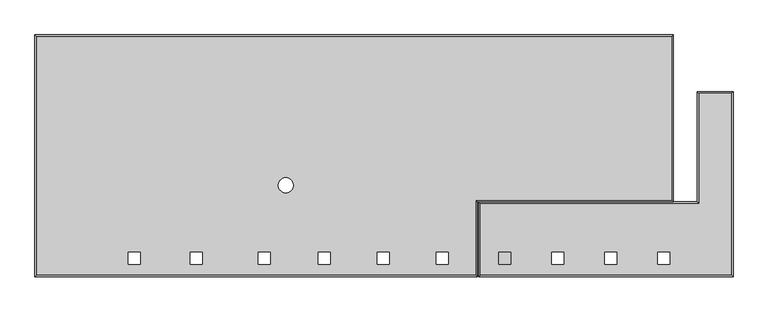
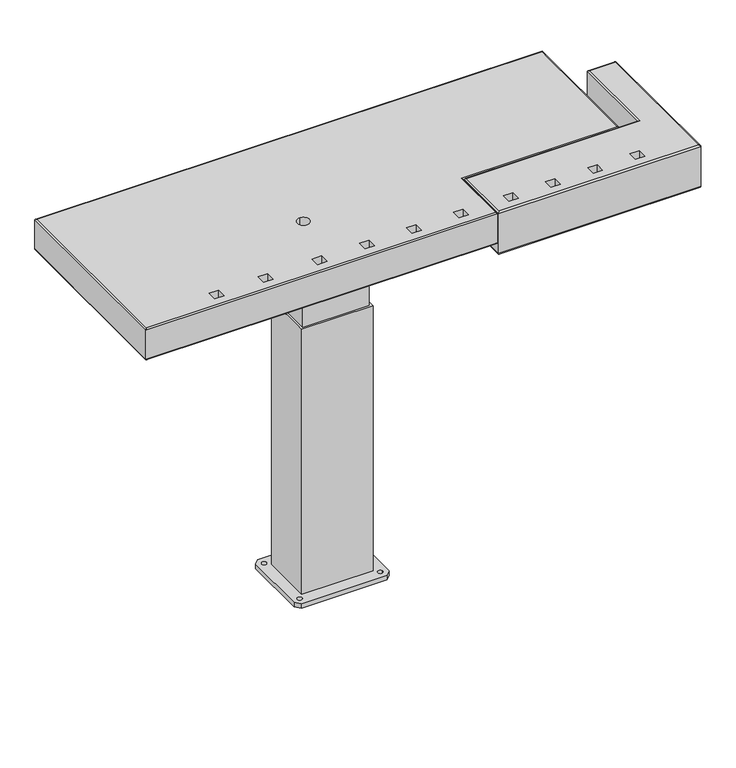
"""IFC4 building model written with IfcOpenShell, lengths in millimetres: furniture geometry."""

from ifc_helpers import new_model, si_unit, frame, origin, place, context, project, spatial, polyline, circle_curve, ellipse_curve, source, transform, mapped, element, save
from ifc_brep_helpers import plane_surface, cylinder_surface, revolved_surface, advanced_brep


def furniture_d66b4d20(model_context):
    return source(origin(), model_context, "Body", "AdvancedBrep", [
        advanced_brep(
        [(-189.9797835, 0.0, 820.0), (-199.9797835, 10.0, 820.0), (-199.9797835, 150.0, 820.0), (-189.9797835, 160.0, 820.0), (-10.0, 160.0, 820.0), (0.0, 150.0, 820.0), (0.0, 10.0, 820.0), (-10.0, 0.0, 820.0), (-179.9797835, 145.0, 820.0), (-189.9797835, 145.0, 820.0), (-10.0, 145.0, 820.0), (-20.0, 145.0, 820.0), (-179.9797835, 15.0, 820.0), (-189.9797835, 15.0, 820.0), (-10.0, 15.0, 820.0), (-20.0, 15.0, 820.0), (-169.9797835, 130.0, 820.0), (-169.9797835, 30.0, 820.0), (-30.0, 30.0, 820.0), (-30.0, 130.0, 820.0), (-164.9797835, 125.0, 820.0), (-35.0, 125.0, 820.0), (-35.0, 35.0, 820.0), (-164.9797835, 35.0, 820.0), (-189.9797835, 0.0, 830.0), (-10.0, 0.0, 830.0), (0.0, 10.0, 830.0), (0.0, 150.0, 830.0), (-10.0, 160.0, 830.0), (-189.9797835, 160.0, 830.0), (-199.9797835, 150.0, 830.0), (-199.9797835, 10.0, 830.0), (-179.9797835, 145.0, 830.0), (-189.9797835, 145.0, 830.0), (-10.0, 145.0, 830.0), (-20.0, 145.0, 830.0), (-179.9797835, 15.0, 830.0), (-189.9797835, 15.0, 830.0), (-10.0, 15.0, 830.0), (-20.0, 15.0, 830.0), (-169.9797835, 130.0, 550.0), (-30.0, 130.0, 550.0), (-30.0, 30.0, 550.0), (-169.9797835, 30.0, 550.0), (-164.9797835, 125.0, 550.0), (-164.9797835, 35.0, 550.0), (-35.0, 35.0, 550.0), (-35.0, 125.0, 550.0)],
        [
            (0, 1),
            (1, 2),
            (2, 3),
            (3, 4),
            (4, 5),
            (5, 6),
            (6, 7),
            (7, 0),
            (8, 9, circle_curve(frame((-184.9797835, 145.0, 820.0), z_axis=(0.0, 0.0, 1.0), x_axis=(-1.0, 0.0, 0.0)), 5.0)),
            (9, 8, circle_curve(frame((-184.9797835, 145.0, 820.0), z_axis=(0.0, 0.0, 1.0), x_axis=(-1.0, 0.0, 0.0)), 5.0)),
            (10, 11, circle_curve(frame((-15.0, 145.0, 820.0), z_axis=(0.0, 0.0, 1.0), x_axis=(-1.0, 0.0, 0.0)), 5.0)),
            (11, 10, circle_curve(frame((-15.0, 145.0, 820.0), z_axis=(0.0, 0.0, 1.0), x_axis=(-1.0, 0.0, 0.0)), 5.0)),
            (12, 13, circle_curve(frame((-184.9797835, 15.0, 820.0), z_axis=(0.0, 0.0, 1.0), x_axis=(-1.0, 0.0, 0.0)), 5.0)),
            (13, 12, circle_curve(frame((-184.9797835, 15.0, 820.0), z_axis=(0.0, 0.0, 1.0), x_axis=(-1.0, 0.0, 0.0)), 5.0)),
            (14, 15, circle_curve(frame((-15.0, 15.0, 820.0), z_axis=(0.0, 0.0, 1.0), x_axis=(-1.0, 0.0, 0.0)), 5.0)),
            (15, 14, circle_curve(frame((-15.0, 15.0, 820.0), z_axis=(0.0, 0.0, 1.0), x_axis=(-1.0, 0.0, 0.0)), 5.0)),
            (16, 17),
            (17, 18),
            (18, 19),
            (19, 16),
            (20, 21),
            (21, 22),
            (22, 23),
            (23, 20),
            (24, 25),
            (25, 26),
            (26, 27),
            (27, 28),
            (28, 29),
            (29, 30),
            (30, 31),
            (31, 24),
            (32, 33, circle_curve(frame((-184.9797835, 145.0, 830.0), z_axis=(0.0, 0.0, -1.0), x_axis=(-1.0, 0.0, 0.0)), 5.0)),
            (33, 32, circle_curve(frame((-184.9797835, 145.0, 830.0), z_axis=(0.0, 0.0, -1.0), x_axis=(-1.0, 0.0, 0.0)), 5.0)),
            (34, 35, circle_curve(frame((-15.0, 145.0, 830.0), z_axis=(0.0, 0.0, -1.0), x_axis=(-1.0, 0.0, 0.0)), 5.0)),
            (35, 34, circle_curve(frame((-15.0, 145.0, 830.0), z_axis=(0.0, 0.0, -1.0), x_axis=(-1.0, 0.0, 0.0)), 5.0)),
            (36, 37, circle_curve(frame((-184.9797835, 15.0, 830.0), z_axis=(0.0, 0.0, -1.0), x_axis=(-1.0, 0.0, 0.0)), 5.0)),
            (37, 36, circle_curve(frame((-184.9797835, 15.0, 830.0), z_axis=(0.0, 0.0, -1.0), x_axis=(-1.0, 0.0, 0.0)), 5.0)),
            (38, 39, circle_curve(frame((-15.0, 15.0, 830.0), z_axis=(0.0, 0.0, -1.0), x_axis=(-1.0, 0.0, 0.0)), 5.0)),
            (39, 38, circle_curve(frame((-15.0, 15.0, 830.0), z_axis=(0.0, 0.0, -1.0), x_axis=(-1.0, 0.0, 0.0)), 5.0)),
            (7, 25),
            (24, 0),
            (6, 26),
            (5, 27),
            (4, 28),
            (3, 29),
            (2, 30),
            (1, 31),
            (9, 33),
            (32, 8),
            (11, 35),
            (34, 10),
            (13, 37),
            (36, 12),
            (15, 39),
            (38, 14),
            (40, 41),
            (41, 42),
            (42, 43),
            (43, 40),
            (44, 45),
            (45, 46),
            (46, 47),
            (47, 44),
            (43, 17),
            (16, 40),
            (42, 18),
            (41, 19),
            (47, 21),
            (20, 44),
            (46, 22),
            (45, 23),
        ],
        [
            plane_surface(frame((-10.0, 0.0, 820.0), z_axis=(0.0, 0.0, -1.0), x_axis=(-1.0, 0.0, 0.0))),
            plane_surface(frame((-10.0, 0.0, 830.0), z_axis=(0.0, 0.0, 1.0), x_axis=(1.0, 0.0, 0.0))),
            plane_surface(frame((-189.9797835, 0.0, 830.0), z_axis=(0.0, -1.0, 0.0), x_axis=(0.0, 0.0, -1.0))),
            plane_surface(frame((-10.0, 0.0, 830.0), z_axis=(0.7071067811865702, -0.7071067811865248, 0.0), x_axis=(0.0, 0.0, -1.0))),
            plane_surface(frame((0.0, 10.0, 830.0), z_axis=(1.0, 0.0, 0.0), x_axis=(0.0, 0.0, -1.0))),
            plane_surface(frame((0.0, 150.0, 830.0), z_axis=(0.707106781186547, 0.7071067811865482, 0.0), x_axis=(0.0, 0.0, -1.0))),
            plane_surface(frame((-10.0, 160.0, 830.0), z_axis=(0.0, 1.0, 0.0), x_axis=(0.0, 0.0, -1.0))),
            plane_surface(frame((-189.9797835, 160.0, 830.0), z_axis=(-0.7071067811865822, 0.7071067811865128, 0.0), x_axis=(0.0, 0.0, -1.0))),
            plane_surface(frame((-199.9797835, 150.0, 830.0), z_axis=(-1.0, 0.0, 0.0), x_axis=(0.0, 0.0, -1.0))),
            plane_surface(frame((-199.9797835, 10.0, 830.0), z_axis=(-0.7071067811865515, -0.7071067811865437, 0.0), x_axis=(0.0, 0.0, -1.0))),
            revolved_surface(polyline([(-189.9797835, 145.0, 820.0), (-189.9797835, 145.0, 830.0)]), (-184.9797835, 145.0, 830.0), (0.0, 0.0, -1.0)),
            revolved_surface(polyline([(-20.0, 145.0, 820.0), (-20.0, 145.0, 830.0)]), (-15.0, 145.0, 830.0), (0.0, 0.0, -1.0)),
            revolved_surface(polyline([(-189.9797835, 15.0, 820.0), (-189.9797835, 15.0, 830.0)]), (-184.9797835, 15.0, 830.0), (0.0, 0.0, -1.0)),
            revolved_surface(polyline([(-20.0, 15.0, 820.0), (-20.0, 15.0, 830.0)]), (-15.0, 15.0, 830.0), (0.0, 0.0, -1.0)),
            plane_surface(frame((-169.9797835, 30.0, 550.0), z_axis=(0.0, 0.0, -1.0), x_axis=(0.0, 1.0, 0.0))),
            plane_surface(frame((-169.9797835, 130.0, 830.0), z_axis=(-1.0, 0.0, 0.0), x_axis=(0.0, 0.0, -1.0))),
            plane_surface(frame((-169.9797835, 30.0, 830.0), z_axis=(0.0, -1.0, 0.0), x_axis=(0.0, 0.0, -1.0))),
            plane_surface(frame((-30.0, 30.0, 830.0), z_axis=(1.0, 0.0, 0.0), x_axis=(0.0, 0.0, -1.0))),
            plane_surface(frame((-30.0, 130.0, 830.0), z_axis=(0.0, 1.0, 0.0), x_axis=(0.0, 0.0, -1.0))),
            plane_surface(frame((-164.9797835, 125.0, 830.0), z_axis=(0.0, -1.0, 0.0), x_axis=(0.0, 0.0, -1.0))),
            plane_surface(frame((-35.0, 125.0, 830.0), z_axis=(-1.0, 0.0, 0.0), x_axis=(0.0, 0.0, -1.0))),
            plane_surface(frame((-35.0, 35.0, 830.0), z_axis=(0.0, 1.0, 0.0), x_axis=(0.0, 0.0, -1.0))),
            plane_surface(frame((-164.9797835, 35.0, 830.0), z_axis=(1.0, 0.0, 0.0), x_axis=(0.0, 0.0, -1.0))),
        ],
        [
            (0, [[1, 2, 3, 4, 5, 6, 7, 8], [9, 10], [11, 12], [13, 14], [15, 16], [17, 18, 19, 20]]),
            (0, [[21, 22, 23, 24]]),
            (1, [[25, 26, 27, 28, 29, 30, 31, 32], [33, 34], [35, 36], [37, 38], [39, 40]]),
            (2, [[-8, 41, -25, 42]]),
            (3, [[-7, 43, -26, -41]]),
            (4, [[-6, 44, -27, -43]]),
            (5, [[-5, 45, -28, -44]]),
            (6, [[-4, 46, -29, -45]]),
            (7, [[-3, 47, -30, -46]]),
            (8, [[-2, 48, -31, -47]]),
            (9, [[-1, -42, -32, -48]]),
            (10, [[-10, 49, -33, 50]]),
            (10, [[-9, -50, -34, -49]]),
            (11, [[-12, 51, -35, 52]]),
            (11, [[-11, -52, -36, -51]]),
            (12, [[-14, 53, -37, 54]]),
            (12, [[-13, -54, -38, -53]]),
            (13, [[-16, 55, -39, 56]]),
            (13, [[-15, -56, -40, -55]]),
            (14, [[57, 58, 59, 60], [61, 62, 63, 64]]),
            (15, [[-60, 65, -17, 66]]),
            (16, [[-59, 67, -18, -65]]),
            (17, [[-58, 68, -19, -67]]),
            (18, [[-57, -66, -20, -68]]),
            (19, [[-64, 69, -21, 70]]),
            (20, [[-63, 71, -22, -69]]),
            (21, [[-62, 72, -23, -71]]),
            (22, [[-61, -70, -24, -72]]),
        ],
    ),
        advanced_brep(
        [(-189.9797835, 0.0, 10.0), (-10.0, 0.0, 10.0), (0.0, 10.0, 10.0), (0.0, 150.0, 10.0), (-10.0, 160.0, 10.0), (-189.9797835, 160.0, 10.0), (-199.9797835, 150.0, 10.0), (-199.9797835, 10.0, 10.0), (-189.9797835, 145.0, 10.0), (-179.9797835, 145.0, 10.0), (-10.0, 145.0, 10.0), (-20.0, 145.0, 10.0), (-189.9797835, 15.0, 10.0), (-179.9797835, 15.0, 10.0), (-10.0, 15.0, 10.0), (-20.0, 15.0, 10.0), (-174.9797835, 25.0, 10.0), (-174.9797835, 135.0, 10.0), (-25.0, 135.0, 10.0), (-25.0, 25.0, 10.0), (-169.9797835, 130.0, 10.0), (-169.9797835, 30.0, 10.0), (-30.0, 30.0, 10.0), (-30.0, 130.0, 10.0), (-189.9797835, 0.0, 0.0), (-199.9797835, 10.0, 0.0), (-199.9797835, 150.0, 0.0), (-189.9797835, 160.0, 0.0), (-10.0, 160.0, 0.0), (0.0, 150.0, 0.0), (0.0, 10.0, 0.0), (-10.0, 0.0, 0.0), (-189.9797835, 145.0, 0.0), (-179.9797835, 145.0, 0.0), (-10.0, 145.0, 0.0), (-20.0, 145.0, 0.0), (-189.9797835, 15.0, 0.0), (-179.9797835, 15.0, 0.0), (-10.0, 15.0, 0.0), (-20.0, 15.0, 0.0), (-174.9797835, 135.0, 600.0), (-174.9797835, 25.0, 600.0), (-25.0, 25.0, 600.0), (-25.0, 135.0, 600.0), (-169.9797835, 30.0, 600.0), (-169.9797835, 130.0, 600.0), (-30.0, 130.0, 600.0), (-30.0, 30.0, 600.0)],
        [
            (0, 1),
            (1, 2),
            (2, 3),
            (3, 4),
            (4, 5),
            (5, 6),
            (6, 7),
            (7, 0),
            (8, 9, circle_curve(frame((-184.9797835, 145.0, 10.0), z_axis=(0.0, 0.0, -1.0), x_axis=(1.0, 0.0, 0.0)), 5.0)),
            (9, 8, circle_curve(frame((-184.9797835, 145.0, 10.0), z_axis=(0.0, 0.0, -1.0), x_axis=(1.0, 0.0, 0.0)), 5.0)),
            (10, 11, circle_curve(frame((-15.0, 145.0, 10.0), z_axis=(0.0, 0.0, -1.0), x_axis=(-1.0, 0.0, 0.0)), 5.0)),
            (11, 10, circle_curve(frame((-15.0, 145.0, 10.0), z_axis=(0.0, 0.0, -1.0), x_axis=(-1.0, 0.0, 0.0)), 5.0)),
            (12, 13, circle_curve(frame((-184.9797835, 15.0, 10.0), z_axis=(0.0, 0.0, -1.0), x_axis=(1.0, 0.0, 0.0)), 5.0)),
            (13, 12, circle_curve(frame((-184.9797835, 15.0, 10.0), z_axis=(0.0, 0.0, -1.0), x_axis=(1.0, 0.0, 0.0)), 5.0)),
            (14, 15, circle_curve(frame((-15.0, 15.0, 10.0), z_axis=(0.0, 0.0, -1.0), x_axis=(-1.0, 0.0, 0.0)), 5.0)),
            (15, 14, circle_curve(frame((-15.0, 15.0, 10.0), z_axis=(0.0, 0.0, -1.0), x_axis=(-1.0, 0.0, 0.0)), 5.0)),
            (16, 17),
            (17, 18),
            (18, 19),
            (19, 16),
            (20, 21),
            (21, 22),
            (22, 23),
            (23, 20),
            (24, 25),
            (25, 26),
            (26, 27),
            (27, 28),
            (28, 29),
            (29, 30),
            (30, 31),
            (31, 24),
            (32, 33, circle_curve(frame((-184.9797835, 145.0, 0.0), z_axis=(0.0, 0.0, 1.0), x_axis=(1.0, 0.0, 0.0)), 5.0)),
            (33, 32, circle_curve(frame((-184.9797835, 145.0, 0.0), z_axis=(0.0, 0.0, 1.0), x_axis=(1.0, 0.0, 0.0)), 5.0)),
            (34, 35, circle_curve(frame((-15.0, 145.0, 0.0), z_axis=(0.0, 0.0, 1.0), x_axis=(-1.0, 0.0, 0.0)), 5.0)),
            (35, 34, circle_curve(frame((-15.0, 145.0, 0.0), z_axis=(0.0, 0.0, 1.0), x_axis=(-1.0, 0.0, 0.0)), 5.0)),
            (36, 37, circle_curve(frame((-184.9797835, 15.0, 0.0), z_axis=(0.0, 0.0, 1.0), x_axis=(1.0, 0.0, 0.0)), 5.0)),
            (37, 36, circle_curve(frame((-184.9797835, 15.0, 0.0), z_axis=(0.0, 0.0, 1.0), x_axis=(1.0, 0.0, 0.0)), 5.0)),
            (38, 39, circle_curve(frame((-15.0, 15.0, 0.0), z_axis=(0.0, 0.0, 1.0), x_axis=(-1.0, 0.0, 0.0)), 5.0)),
            (39, 38, circle_curve(frame((-15.0, 15.0, 0.0), z_axis=(0.0, 0.0, 1.0), x_axis=(-1.0, 0.0, 0.0)), 5.0)),
            (0, 24),
            (31, 1),
            (30, 2),
            (29, 3),
            (28, 4),
            (27, 5),
            (26, 6),
            (25, 7),
            (8, 32),
            (33, 9),
            (10, 34),
            (35, 11),
            (12, 36),
            (37, 13),
            (14, 38),
            (39, 15),
            (40, 41),
            (41, 42),
            (42, 43),
            (43, 40),
            (44, 45),
            (45, 46),
            (46, 47),
            (47, 44),
            (40, 17),
            (16, 41),
            (19, 42),
            (18, 43),
            (44, 21),
            (20, 45),
            (23, 46),
            (22, 47),
        ],
        [
            plane_surface(frame((0.0202165, 0.0, 10.0), z_axis=(0.0, 0.0, 1.0), x_axis=(1.0, 0.0, 0.0))),
            plane_surface(frame((0.0202165, 0.0, 0.0), z_axis=(0.0, 0.0, -1.0), x_axis=(-1.0, 0.0, 0.0))),
            plane_surface(frame((-189.9797835, 0.0, 10.0), z_axis=(0.0, -1.0, 0.0), x_axis=(0.0, 0.0, -1.0))),
            plane_surface(frame((-10.0, 0.0, 10.0), z_axis=(0.7071067811865424, -0.7071067811865529, 0.0), x_axis=(0.0, 0.0, -1.0))),
            plane_surface(frame((0.0, 10.0, 10.0), z_axis=(1.0, 0.0, 0.0), x_axis=(0.0, 0.0, -1.0))),
            plane_surface(frame((0.0, 150.0, 10.0), z_axis=(0.7071067811865464, 0.7071067811865488, 0.0), x_axis=(0.0, 0.0, -1.0))),
            plane_surface(frame((-10.0, 160.0, 10.0), z_axis=(0.0, 1.0, 0.0), x_axis=(0.0, 0.0, -1.0))),
            plane_surface(frame((-189.9797835, 160.0, 10.0), z_axis=(-0.7071067811865476, 0.7071067811865476, 0.0), x_axis=(0.0, 0.0, -1.0))),
            plane_surface(frame((-199.9797835, 150.0, 10.0), z_axis=(-1.0, 0.0, 0.0), x_axis=(0.0, 0.0, -1.0))),
            plane_surface(frame((-199.9797835, 10.0, 10.0), z_axis=(-0.7071067811865509, -0.7071067811865441, 0.0), x_axis=(0.0, 0.0, -1.0))),
            revolved_surface(polyline([(-179.9797835, 145.0, 0.0), (-179.9797835, 145.0, 10.0)]), (-184.9797835, 145.0, 0.0), (0.0, 0.0, -1.0)),
            revolved_surface(polyline([(-20.0, 145.0, 0.0), (-20.0, 145.0, 10.0)]), (-15.0, 145.0, 0.0), (0.0, 0.0, -1.0)),
            revolved_surface(polyline([(-179.9797835, 15.0, 0.0), (-179.9797835, 15.0, 10.0)]), (-184.9797835, 15.0, 0.0), (0.0, 0.0, -1.0)),
            revolved_surface(polyline([(-20.0, 15.0, 0.0), (-20.0, 15.0, 10.0)]), (-15.0, 15.0, 0.0), (0.0, 0.0, -1.0)),
            plane_surface(frame((-174.9797835, 150.0, 600.0), z_axis=(0.0, 0.0, 1.0), x_axis=(0.0, -1.0, 0.0))),
            plane_surface(frame((-174.9797835, 135.0, 600.0), z_axis=(-1.0, 0.0, 0.0), x_axis=(0.0, 0.0, -1.0))),
            plane_surface(frame((-174.9797835, 25.0, 600.0), z_axis=(0.0, -1.0, 0.0), x_axis=(0.0, 0.0, -1.0))),
            plane_surface(frame((-25.0, 25.0, 600.0), z_axis=(1.0, 0.0, 0.0), x_axis=(0.0, 0.0, -1.0))),
            plane_surface(frame((-25.0, 135.0, 600.0), z_axis=(0.0, 1.0, 0.0), x_axis=(0.0, 0.0, -1.0))),
            plane_surface(frame((-169.9797835, 30.0, 600.0), z_axis=(1.0, 0.0, 0.0), x_axis=(0.0, 0.0, -1.0))),
            plane_surface(frame((-169.9797835, 130.0, 600.0), z_axis=(0.0, -1.0, 0.0), x_axis=(0.0, 0.0, -1.0))),
            plane_surface(frame((-30.0, 130.0, 600.0), z_axis=(-1.0, 0.0, 0.0), x_axis=(0.0, 0.0, -1.0))),
            plane_surface(frame((-30.0, 30.0, 600.0), z_axis=(0.0, 1.0, 0.0), x_axis=(0.0, 0.0, -1.0))),
        ],
        [
            (0, [[1, 2, 3, 4, 5, 6, 7, 8], [9, 10], [11, 12], [13, 14], [15, 16], [17, 18, 19, 20]]),
            (0, [[21, 22, 23, 24]]),
            (1, [[25, 26, 27, 28, 29, 30, 31, 32], [33, 34], [35, 36], [37, 38], [39, 40]]),
            (2, [[-1, 41, -32, 42]]),
            (3, [[-2, -42, -31, 43]]),
            (4, [[-3, -43, -30, 44]]),
            (5, [[-4, -44, -29, 45]]),
            (6, [[-5, -45, -28, 46]]),
            (7, [[-6, -46, -27, 47]]),
            (8, [[-7, -47, -26, 48]]),
            (9, [[-8, -48, -25, -41]]),
            (10, [[-9, 49, -34, 50]]),
            (10, [[-10, -50, -33, -49]]),
            (11, [[-11, 51, -36, 52]]),
            (11, [[-12, -52, -35, -51]]),
            (12, [[-13, 53, -38, 54]]),
            (12, [[-14, -54, -37, -53]]),
            (13, [[-15, 55, -40, 56]]),
            (13, [[-16, -56, -39, -55]]),
            (14, [[57, 58, 59, 60], [61, 62, 63, 64]]),
            (15, [[-57, 65, -17, 66]]),
            (16, [[-58, -66, -20, 67]]),
            (17, [[-59, -67, -19, 68]]),
            (18, [[-60, -68, -18, -65]]),
            (19, [[-61, 69, -21, 70]]),
            (20, [[-62, -70, -24, 71]]),
            (21, [[-63, -71, -23, 72]]),
            (22, [[-64, -72, -22, -69]]),
        ],
    ),
        advanced_brep(
        [(431.9952421, 199.5, 900.0), (-632.0047579, 199.5, 900.0), (-632.0047579, -199.5, 900.0), (103.578349, -199.5, 900.0), (103.578349, -74.5, 900.0), (431.9952421, -74.5, 900.0), (57.578349, -181.7134223, 900.0), (37.578349, -181.7134223, 900.0), (37.578349, -161.7232798, 900.0), (57.578349, -161.7232798, 900.0), (-41.421651, -181.7134223, 900.0), (-61.421651, -181.7134223, 900.0), (-61.421651, -161.7232798, 900.0), (-41.421651, -161.7232798, 900.0), (-140.421651, -181.7134223, 900.0), (-160.421651, -181.7134223, 900.0), (-160.421651, -161.7232798, 900.0), (-140.421651, -161.7232798, 900.0), (-240.421651, -181.7134223, 900.0), (-260.421651, -181.7134223, 900.0), (-260.421651, -161.7232798, 900.0), (-240.421651, -161.7232798, 900.0), (-354.421651, -181.7134223, 900.0), (-374.421651, -181.7134223, 900.0), (-374.421651, -161.7232798, 900.0), (-354.421651, -161.7232798, 900.0), (-458.421651, -181.7134223, 900.0), (-478.421651, -181.7134223, 900.0), (-478.421651, -161.7232798, 900.0), (-458.421651, -161.7232798, 900.0), (-214.421651, -37.0, 900.0), (-214.421651, -62.0, 900.0), (374.9952421, 199.5, 830.0), (374.9952421, -74.5, 830.0), (103.578349, -74.5, 830.0), (103.578349, -199.5, 830.0), (-632.0047579, -199.5, 830.0), (-632.0047579, 199.5, 830.0), (57.578349, -181.7134223, 830.0), (57.578349, -161.7232798, 830.0), (37.578349, -161.7232798, 830.0), (37.578349, -181.7134223, 830.0), (-41.421651, -181.7134223, 830.0), (-41.421651, -161.7232798, 830.0), (-61.421651, -161.7232798, 830.0), (-61.421651, -181.7134223, 830.0), (-140.421651, -181.7134223, 830.0), (-140.421651, -161.7232798, 830.0), (-160.421651, -161.7232798, 830.0), (-160.421651, -181.7134223, 830.0), (-240.421651, -181.7134223, 830.0), (-240.421651, -161.7232798, 830.0), (-260.421651, -161.7232798, 830.0), (-260.421651, -181.7134223, 830.0), (-354.421651, -181.7134223, 830.0), (-354.421651, -161.7232798, 830.0), (-374.421651, -161.7232798, 830.0), (-374.421651, -181.7134223, 830.0), (-458.421651, -181.7134223, 830.0), (-458.421651, -161.7232798, 830.0), (-478.421651, -161.7232798, 830.0), (-478.421651, -181.7134223, 830.0), (-214.421651, -37.0, 830.0), (-214.421651, -62.0, 830.0), (434.9952421, 202.5, 897.0), (434.9952421, -77.5, 897.0), (434.9952421, -77.5, 808.0), (434.9952421, 202.5, 808.0), (-635.0047579, 202.5, 897.0), (377.9952421, 202.5, 808.0), (377.9952421, 202.5, 833.0), (-635.0047579, 202.5, 833.0), (-635.0047579, -202.5, 897.0), (-635.0047579, -202.5, 833.0), (106.578349, -77.5, 897.0), (106.578349, -77.5, 833.0), (377.9952421, -77.5, 833.0), (377.9952421, -77.5, 808.0), (106.578349, -202.5, 897.0), (106.578349, -202.5, 833.0), (431.9952421, 199.5, 805.0), (431.9952421, -74.5, 805.0), (377.9952421, -74.5, 805.0), (377.9952421, 199.5, 805.0), (374.9952421, 199.5, 808.0), (374.9952421, -74.5, 808.0), (375.8739217, 201.6213203, 805.8786797), (375.8739217, -76.6213203, 805.8786797)],
        [
            (0, 1),
            (1, 2),
            (2, 3),
            (3, 4),
            (4, 5),
            (5, 0),
            (6, 7),
            (7, 8),
            (8, 9),
            (9, 6),
            (10, 11),
            (11, 12),
            (12, 13),
            (13, 10),
            (14, 15),
            (15, 16),
            (16, 17),
            (17, 14),
            (18, 19),
            (19, 20),
            (20, 21),
            (21, 18),
            (22, 23),
            (23, 24),
            (24, 25),
            (25, 22),
            (26, 27),
            (27, 28),
            (28, 29),
            (29, 26),
            (30, 31, circle_curve(frame((-214.421651, -49.5, 900.0), z_axis=(0.0, 0.0, -1.0), x_axis=(0.0, -1.0000000000000002, 0.0)), 12.5)),
            (31, 30, circle_curve(frame((-214.421651, -49.5, 900.0), z_axis=(0.0, 0.0, -1.0), x_axis=(0.0, -1.0000000000000002, 0.0)), 12.5)),
            (32, 33),
            (33, 34),
            (34, 35),
            (35, 36),
            (36, 37),
            (37, 32),
            (38, 39),
            (39, 40),
            (40, 41),
            (41, 38),
            (42, 43),
            (43, 44),
            (44, 45),
            (45, 42),
            (46, 47),
            (47, 48),
            (48, 49),
            (49, 46),
            (50, 51),
            (51, 52),
            (52, 53),
            (53, 50),
            (54, 55),
            (55, 56),
            (56, 57),
            (57, 54),
            (58, 59),
            (59, 60),
            (60, 61),
            (61, 58),
            (62, 63, circle_curve(frame((-214.421651, -49.5, 830.0), z_axis=(0.0, 0.0, 1.0), x_axis=(0.0, -1.0000000000000002, 0.0)), 12.5)),
            (63, 62, circle_curve(frame((-214.421651, -49.5, 830.0), z_axis=(0.0, 0.0, 1.0), x_axis=(0.0, -1.0000000000000002, 0.0)), 12.5)),
            (64, 65),
            (65, 66),
            (66, 67),
            (67, 64),
            (68, 64),
            (67, 69),
            (69, 70),
            (70, 71),
            (71, 68),
            (72, 68),
            (71, 73),
            (73, 72),
            (65, 74),
            (74, 75),
            (75, 76),
            (76, 77),
            (77, 66),
            (78, 72),
            (73, 79),
            (79, 78),
            (74, 78),
            (79, 75),
            (6, 38),
            (41, 7),
            (40, 8),
            (39, 9),
            (10, 42),
            (45, 11),
            (44, 12),
            (43, 13),
            (14, 46),
            (49, 15),
            (48, 16),
            (47, 17),
            (18, 50),
            (53, 19),
            (52, 20),
            (51, 21),
            (22, 54),
            (57, 23),
            (56, 24),
            (55, 25),
            (26, 58),
            (61, 27),
            (60, 28),
            (59, 29),
            (30, 62),
            (63, 31),
            (80, 81),
            (81, 82),
            (82, 83),
            (83, 80),
            (32, 84),
            (84, 85),
            (85, 33),
            (70, 32, ellipse_curve(frame((377.9952421, 199.5, 833.0), z_axis=(-0.7071067811865475, 0.0, 0.7071067811865475), x_axis=(0.7071067811865476, 0.0, 0.7071067811865474)), 4.2426407, 3.0)),
            (37, 71, ellipse_curve(frame((-632.0047579, 199.5, 833.0), z_axis=(0.7071067811865477, 0.7071067811865474, 0.0), x_axis=(0.7071067811865474, -0.7071067811865476, 0.0)), 4.2426407, 3.0)),
            (69, 86, ellipse_curve(frame((377.9952421, 199.5, 808.0), z_axis=(-0.7071067811865475, 0.0, 0.7071067811865475), x_axis=(-0.7071067811865474, 0.0, -0.7071067811865476)), 4.2426407, 3.0)),
            (86, 84, ellipse_curve(frame((377.9952421, 199.5, 808.0), z_axis=(0.0, 0.7071067811865476, 0.7071067811865475), x_axis=(0.0, 0.7071067811865475, -0.7071067811865476)), 4.2426407, 3.0)),
            (67, 80, ellipse_curve(frame((431.9952421, 199.5, 808.0), z_axis=(-0.7071067811865474, 0.7071067811865476, 0.0), x_axis=(0.7071067811865477, 0.7071067811865474, 0.0)), 4.2426407, 3.0)),
            (83, 86, ellipse_curve(frame((377.9952421, 199.5, 808.0), z_axis=(0.7071067811865476, 0.7071067811865475, 0.0), x_axis=(0.7071067811865475, -0.7071067811865475, 0.0)), 4.2426407, 3.0)),
            (66, 81, ellipse_curve(frame((431.9952421, -74.5, 808.0), z_axis=(0.7071067811865476, 0.7071067811865474, 0.0), x_axis=(0.7071067811865474, -0.7071067811865477, 0.0)), 4.2426407, 3.0)),
            (77, 87, ellipse_curve(frame((377.9952421, -74.5, 808.0), z_axis=(0.7071067811865475, 0.0, -0.7071067811865475), x_axis=(-0.7071067811865476, 0.0, -0.7071067811865474)), 4.2426407, 3.0)),
            (87, 82, ellipse_curve(frame((377.9952421, -74.5, 808.0), z_axis=(0.7071067811865475, -0.7071067811865476, 0.0), x_axis=(-0.7071067811865476, -0.7071067811865475, 0.0)), 4.2426407, 3.0)),
            (76, 33, ellipse_curve(frame((377.9952421, -74.5, 833.0), z_axis=(0.7071067811865475, 0.0, -0.7071067811865475), x_axis=(0.7071067811865474, 0.0, 0.7071067811865476)), 4.2426407, 3.0)),
            (85, 87, ellipse_curve(frame((377.9952421, -74.5, 808.0), z_axis=(0.0, -0.7071067811865475, 0.7071067811865476), x_axis=(0.0, 0.7071067811865475, 0.7071067811865475)), 4.2426407, 3.0)),
            (75, 34, ellipse_curve(frame((103.578349, -74.5, 833.0), z_axis=(0.707106781186549, 0.7071067811865462, 0.0), x_axis=(-0.7071067811865459, 0.7071067811865491, 0.0)), 4.2426407, 3.0)),
            (79, 35, ellipse_curve(frame((103.578349, -199.5, 833.0), z_axis=(0.707106781186549, 0.7071067811865462, 0.0), x_axis=(0.7071067811865464, -0.7071067811865487, 0.0)), 4.2426407, 3.0)),
            (73, 36, ellipse_curve(frame((-632.0047579, -199.5, 833.0), z_axis=(0.7071067811865474, -0.7071067811865477, 0.0), x_axis=(-0.7071067811865477, -0.7071067811865474, 0.0)), 4.2426407, 3.0)),
            (68, 1, ellipse_curve(frame((-632.0047579, 199.5, 897.0), z_axis=(0.7071067811865476, 0.7071067811865475, 0.0), x_axis=(-0.7071067811865475, 0.7071067811865475, 0.0)), 4.2426407, 3.0)),
            (0, 64, ellipse_curve(frame((431.9952421, 199.5, 897.0), z_axis=(-0.7071067811865474, 0.7071067811865476, 0.0), x_axis=(-0.7071067811865478, -0.7071067811865472, 0.0)), 4.2426407, 3.0)),
            (72, 2, ellipse_curve(frame((-632.0047579, -199.5, 897.0), z_axis=(-0.7071067811865475, 0.7071067811865476, 0.0), x_axis=(-0.7071067811865475, -0.7071067811865475, 0.0)), 4.2426407, 3.0)),
            (78, 3, ellipse_curve(frame((103.578349, -199.5, 897.0), z_axis=(-0.7071067811865488, -0.7071067811865464, 0.0), x_axis=(0.7071067811865462, -0.7071067811865487, 0.0)), 4.2426407, 3.0)),
            (74, 4, ellipse_curve(frame((103.578349, -74.5, 897.0), z_axis=(-0.7071067811865488, -0.7071067811865464, 0.0), x_axis=(-0.7071067811865465, 0.7071067811865487, 0.0)), 4.2426407, 3.0)),
            (65, 5, ellipse_curve(frame((431.9952421, -74.5, 897.0), z_axis=(-0.7071067811865476, -0.7071067811865474, 0.0), x_axis=(0.7071067811865476, -0.7071067811865475, 0.0)), 4.2426407, 3.0)),
        ],
        [
            plane_surface(frame((434.9952421, 202.5, 900.0), z_axis=(0.0, 0.0, 1.0), x_axis=(0.0, 1.0, 0.0))),
            plane_surface(frame((434.9952421, 202.5, 830.0), z_axis=(0.0, 0.0, -1.0), x_axis=(0.0, -1.0, 0.0))),
            plane_surface(frame((434.9952421, -77.5, 900.0), z_axis=(1.0, 0.0, 0.0), x_axis=(0.0, 0.0, -1.0))),
            plane_surface(frame((434.9952421, 202.5, 900.0), z_axis=(0.0, 1.0, 0.0), x_axis=(0.0, 0.0, -1.0))),
            plane_surface(frame((-635.0047579, 202.5, 900.0), z_axis=(-1.0, 0.0, 0.0), x_axis=(0.0, 0.0, -1.0))),
            plane_surface(frame((106.578349, -77.5, 900.0), z_axis=(0.0, -1.0, 0.0), x_axis=(0.0, 0.0, -1.0))),
            plane_surface(frame((-635.0047579, -202.5, 900.0), z_axis=(0.0, -1.0, 0.0), x_axis=(0.0, 0.0, -1.0))),
            plane_surface(frame((106.578349, -202.5, 900.0), z_axis=(1.0, 0.0, 0.0), x_axis=(0.0, 0.0, -1.0))),
            plane_surface(frame((57.578349, -181.7134223, 900.0), z_axis=(0.0, 1.0, 0.0), x_axis=(0.0, 0.0, -1.0))),
            plane_surface(frame((37.578349, -181.7134223, 900.0), z_axis=(1.0, 0.0, 0.0), x_axis=(0.0, 0.0, -1.0))),
            plane_surface(frame((37.578349, -161.7232798, 900.0), z_axis=(0.0, -1.0, 0.0), x_axis=(0.0, 0.0, -1.0))),
            plane_surface(frame((57.578349, -161.7232798, 900.0), z_axis=(-1.0, 0.0, 0.0), x_axis=(0.0, 0.0, -1.0))),
            plane_surface(frame((-41.421651, -181.7134223, 900.0), z_axis=(0.0, 1.0, 0.0), x_axis=(0.0, 0.0, -1.0))),
            plane_surface(frame((-61.421651, -181.7134223, 900.0), z_axis=(1.0, 0.0, 0.0), x_axis=(0.0, 0.0, -1.0))),
            plane_surface(frame((-61.421651, -161.7232798, 900.0), z_axis=(0.0, -1.0, 0.0), x_axis=(0.0, 0.0, -1.0))),
            plane_surface(frame((-41.421651, -161.7232798, 900.0), z_axis=(-1.0, 0.0, 0.0), x_axis=(0.0, 0.0, -1.0))),
            plane_surface(frame((-140.421651, -181.7134223, 900.0), z_axis=(0.0, 1.0, 0.0), x_axis=(0.0, 0.0, -1.0))),
            plane_surface(frame((-160.421651, -181.7134223, 900.0), z_axis=(1.0, 0.0, 0.0), x_axis=(0.0, 0.0, -1.0))),
            plane_surface(frame((-160.421651, -161.7232798, 900.0), z_axis=(0.0, -1.0, 0.0), x_axis=(0.0, 0.0, -1.0))),
            plane_surface(frame((-140.421651, -161.7232798, 900.0), z_axis=(-1.0, 0.0, 0.0), x_axis=(0.0, 0.0, -1.0))),
            plane_surface(frame((-240.421651, -181.7134223, 900.0), z_axis=(0.0, 1.0, 0.0), x_axis=(0.0, 0.0, -1.0))),
            plane_surface(frame((-260.421651, -181.7134223, 900.0), z_axis=(1.0, 0.0, 0.0), x_axis=(0.0, 0.0, -1.0))),
            plane_surface(frame((-260.421651, -161.7232798, 900.0), z_axis=(0.0, -1.0, 0.0), x_axis=(0.0, 0.0, -1.0))),
            plane_surface(frame((-240.421651, -161.7232798, 900.0), z_axis=(-1.0, 0.0, 0.0), x_axis=(0.0, 0.0, -1.0))),
            plane_surface(frame((-354.421651, -181.7134223, 900.0), z_axis=(0.0, 1.0, 0.0), x_axis=(0.0, 0.0, -1.0))),
            plane_surface(frame((-374.421651, -181.7134223, 900.0), z_axis=(1.0, 0.0, 0.0), x_axis=(0.0, 0.0, -1.0))),
            plane_surface(frame((-374.421651, -161.7232798, 900.0), z_axis=(0.0, -1.0, 0.0), x_axis=(0.0, 0.0, -1.0))),
            plane_surface(frame((-354.421651, -161.7232798, 900.0), z_axis=(-1.0, 0.0, 0.0), x_axis=(0.0, 0.0, -1.0))),
            plane_surface(frame((-458.421651, -181.7134223, 900.0), z_axis=(0.0, 1.0, 0.0), x_axis=(0.0, 0.0, -1.0))),
            plane_surface(frame((-478.421651, -181.7134223, 900.0), z_axis=(1.0, 0.0, 0.0), x_axis=(0.0, 0.0, -1.0))),
            plane_surface(frame((-478.421651, -161.7232798, 900.0), z_axis=(0.0, -1.0, 0.0), x_axis=(0.0, 0.0, -1.0))),
            plane_surface(frame((-458.421651, -161.7232798, 900.0), z_axis=(-1.0, 0.0, 0.0), x_axis=(0.0, 0.0, -1.0))),
            revolved_surface(polyline([(-214.421651, -62.0, 830.0), (-214.421651, -62.0, 900.0)]), (-214.421651, -49.5, 805.0), (0.0, 0.0, -1.0)),
            plane_surface(frame((374.9952421, -202.5, 805.0), z_axis=(0.0, 0.0, -1.0), x_axis=(0.0, 1.0, 0.0))),
            plane_surface(frame((374.9952421, 202.5, 830.0), z_axis=(-1.0, 0.0, 0.0), x_axis=(0.0, 0.0, -1.0))),
            cylinder_surface(frame((-635.0047579, 199.5, 833.0), z_axis=(1.0000000000000002, 0.0, 0.0), x_axis=(0.0, -1.0000000000000002, 0.0)), 3.0),
            cylinder_surface(frame((377.9952421, 199.5, 830.0), z_axis=(0.0, 0.0, -1.0), x_axis=(0.0, -1.0000000000000002, 0.0)), 3.0),
            cylinder_surface(frame((374.9952421, 199.5, 808.0), z_axis=(1.0000000000000002, 0.0, 0.0), x_axis=(0.0, -1.0000000000000002, 0.0)), 3.0),
            cylinder_surface(frame((431.9952421, 202.5, 808.0), z_axis=(0.0, -1.0000000000000002, 0.0), x_axis=(-1.0000000000000002, 0.0, 0.0)), 3.0),
            cylinder_surface(frame((434.9952421, -74.5, 808.0), z_axis=(-1.0000000000000002, 0.0, 0.0), x_axis=(0.0, 1.0000000000000002, 0.0)), 3.0),
            cylinder_surface(frame((377.9952421, -74.5, 805.0), z_axis=(0.0, 0.0, 1.0), x_axis=(0.0, 1.0000000000000002, 0.0)), 3.0),
            cylinder_surface(frame((374.9952421, -74.5, 833.0), z_axis=(-1.0000000000000002, 0.0, 0.0), x_axis=(0.0, 1.0000000000000002, 0.0)), 3.0),
            cylinder_surface(frame((103.578349, -77.5, 833.0), z_axis=(0.0, -1.0000000000000002, 0.0), x_axis=(-1.0000000000000002, 0.0, 0.0)), 3.0),
            cylinder_surface(frame((106.578349, -199.5, 833.0), z_axis=(-1.0000000000000002, 0.0, 0.0), x_axis=(0.0, 1.0000000000000002, 0.0)), 3.0),
            cylinder_surface(frame((-632.0047579, -202.5, 833.0), z_axis=(0.0, 1.0000000000000002, 0.0), x_axis=(1.0000000000000002, 0.0, 0.0)), 3.0),
            cylinder_surface(frame((434.9952421, 199.5, 897.0), z_axis=(-1.0000000000000002, 0.0, 0.0), x_axis=(0.0, -1.0000000000000002, 0.0)), 3.0),
            cylinder_surface(frame((-632.0047579, 202.5, 897.0), z_axis=(0.0, -1.0000000000000002, 0.0), x_axis=(1.0000000000000002, 0.0, 0.0)), 3.0),
            cylinder_surface(frame((-635.0047579, -199.5, 897.0), z_axis=(1.0000000000000002, 0.0, 0.0), x_axis=(0.0, 1.0000000000000002, 0.0)), 3.0),
            cylinder_surface(frame((103.578349, -202.5, 897.0), z_axis=(0.0, 1.0000000000000002, 0.0), x_axis=(-1.0000000000000002, 0.0, 0.0)), 3.0),
            cylinder_surface(frame((106.578349, -74.5, 897.0), z_axis=(1.0000000000000002, 0.0, 0.0), x_axis=(0.0, 1.0000000000000002, 0.0)), 3.0),
            cylinder_surface(frame((431.9952421, -77.5, 897.0), z_axis=(0.0, 1.0000000000000002, 0.0), x_axis=(-1.0000000000000002, 0.0, 0.0)), 3.0),
            cylinder_surface(frame((377.9952421, -77.5, 808.0), z_axis=(0.0, 1.0000000000000002, 0.0), x_axis=(1.0000000000000002, 0.0, 0.0)), 3.0),
        ],
        [
            (0, [[1, 2, 3, 4, 5, 6], [7, 8, 9, 10], [11, 12, 13, 14], [15, 16, 17, 18], [19, 20, 21, 22], [23, 24, 25, 26], [27, 28, 29, 30], [31, 32]]),
            (1, [[33, 34, 35, 36, 37, 38], [39, 40, 41, 42], [43, 44, 45, 46], [47, 48, 49, 50], [51, 52, 53, 54], [55, 56, 57, 58], [59, 60, 61, 62], [63, 64]]),
            (2, [[65, 66, 67, 68]]),
            (3, [[69, -68, 70, 71, 72, 73]]),
            (4, [[74, -73, 75, 76]]),
            (5, [[77, 78, 79, 80, 81, -66]]),
            (6, [[82, -76, 83, 84]]),
            (7, [[85, -84, 86, -78]]),
            (8, [[-7, 87, -42, 88]]),
            (9, [[-8, -88, -41, 89]]),
            (10, [[-9, -89, -40, 90]]),
            (11, [[-10, -90, -39, -87]]),
            (12, [[-11, 91, -46, 92]]),
            (13, [[-12, -92, -45, 93]]),
            (14, [[-13, -93, -44, 94]]),
            (15, [[-14, -94, -43, -91]]),
            (16, [[-15, 95, -50, 96]]),
            (17, [[-16, -96, -49, 97]]),
            (18, [[-17, -97, -48, 98]]),
            (19, [[-18, -98, -47, -95]]),
            (20, [[-19, 99, -54, 100]]),
            (21, [[-20, -100, -53, 101]]),
            (22, [[-21, -101, -52, 102]]),
            (23, [[-22, -102, -51, -99]]),
            (24, [[-23, 103, -58, 104]]),
            (25, [[-24, -104, -57, 105]]),
            (26, [[-25, -105, -56, 106]]),
            (27, [[-26, -106, -55, -103]]),
            (28, [[-27, 107, -62, 108]]),
            (29, [[-28, -108, -61, 109]]),
            (30, [[-29, -109, -60, 110]]),
            (31, [[-30, -110, -59, -107]]),
            (32, [[-31, 111, -64, 112]]),
            (32, [[-32, -112, -63, -111]]),
            (33, [[113, 114, 115, 116]]),
            (34, [[-33, 117, 118, 119]]),
            (35, [[120, -38, 121, -72]]),
            (36, [[-120, -71, 122, 123, -117]]),
            (37, [[124, -116, 125, -122, -70]]),
            (38, [[-124, -67, 126, -113]]),
            (39, [[-126, -81, 127, 128, -114]]),
            (40, [[129, -119, 130, -127, -80]]),
            (41, [[-129, -79, 131, -34]]),
            (42, [[-131, -86, 132, -35]]),
            (43, [[-132, -83, 133, -36]]),
            (44, [[-121, -37, -133, -75]]),
            (45, [[134, -1, 135, -69]]),
            (46, [[-134, -74, 136, -2]]),
            (47, [[-136, -82, 137, -3]]),
            (48, [[-137, -85, 138, -4]]),
            (49, [[-138, -77, 139, -5]]),
            (50, [[-135, -6, -139, -65]]),
            (51, [[-115, -128, -130, -118, -123, -125]]),
        ],
    ),
        advanced_brep(
        [(477.9952421, -80.5, 900.0), (111.578349, -80.5, 900.0), (111.578349, -199.5, 900.0), (532.0047579, -199.5, 900.0), (532.0047579, 104.5, 900.0), (477.9952421, 104.5, 900.0), (409.1047579, -161.7232798, 900.0), (429.1047579, -161.7232798, 900.0), (429.1047579, -181.7134223, 900.0), (409.1047579, -181.7134223, 900.0), (320.1047579, -161.7232798, 900.0), (340.1047579, -161.7232798, 900.0), (340.1047579, -181.7134223, 900.0), (320.1047579, -181.7134223, 900.0), (231.1047579, -161.7232798, 900.0), (251.1047579, -161.7232798, 900.0), (251.1047579, -181.7134223, 900.0), (231.1047579, -181.7134223, 900.0), (142.1047579, -161.7232798, 900.0), (162.1047579, -161.7232798, 900.0), (162.1047579, -181.7134223, 900.0), (142.1047579, -181.7134223, 900.0), (532.0047579, -199.5, 805.0), (111.578349, -199.5, 805.0), (111.578349, 189.5, 805.0), (165.578349, 189.5, 805.0), (165.578349, -80.5, 805.0), (477.9952421, -80.5, 805.0), (477.9952421, 104.5, 805.0), (532.0047579, 104.5, 805.0), (409.1047579, -161.7232798, 805.0), (409.1047579, -181.7134223, 805.0), (429.1047579, -181.7134223, 805.0), (429.1047579, -161.7232798, 805.0), (320.1047579, -161.7232798, 805.0), (320.1047579, -181.7134223, 805.0), (340.1047579, -181.7134223, 805.0), (340.1047579, -161.7232798, 805.0), (231.1047579, -161.7232798, 805.0), (231.1047579, -181.7134223, 805.0), (251.1047579, -181.7134223, 805.0), (251.1047579, -161.7232798, 805.0), (535.0047579, -202.5, 897.0), (108.578349, -202.5, 897.0), (108.578349, -202.5, 808.0), (535.0047579, -202.5, 808.0), (535.0047579, 107.5, 897.0), (535.0047579, 107.5, 808.0), (474.9952421, 107.5, 897.0), (474.9952421, 107.5, 808.0), (474.9952421, -77.5, 897.0), (474.9952421, -77.5, 808.0), (108.578349, -77.5, 897.0), (168.578349, -77.5, 808.0), (168.578349, -77.5, 830.0), (108.578349, -77.5, 830.0), (108.578349, 192.5, 830.0), (108.578349, 192.5, 808.0), (142.1047579, -161.7232798, 830.0), (162.1047579, -161.7232798, 830.0), (162.1047579, -181.7134223, 830.0), (142.1047579, -181.7134223, 830.0), (168.578349, 192.5, 830.0), (168.578349, 192.5, 808.0)],
        [
            (0, 1),
            (1, 2),
            (2, 3),
            (3, 4),
            (4, 5),
            (5, 0),
            (6, 7),
            (7, 8),
            (8, 9),
            (9, 6),
            (10, 11),
            (11, 12),
            (12, 13),
            (13, 10),
            (14, 15),
            (15, 16),
            (16, 17),
            (17, 14),
            (18, 19),
            (19, 20),
            (20, 21),
            (21, 18),
            (22, 23),
            (23, 24),
            (24, 25),
            (25, 26),
            (26, 27),
            (27, 28),
            (28, 29),
            (29, 22),
            (30, 31),
            (31, 32),
            (32, 33),
            (33, 30),
            (34, 35),
            (35, 36),
            (36, 37),
            (37, 34),
            (38, 39),
            (39, 40),
            (40, 41),
            (41, 38),
            (42, 43),
            (43, 44),
            (44, 45),
            (45, 42),
            (46, 42),
            (45, 47),
            (47, 46),
            (48, 46),
            (47, 49),
            (49, 48),
            (50, 48),
            (49, 51),
            (51, 50),
            (52, 50),
            (51, 53),
            (53, 54),
            (54, 55),
            (55, 52),
            (43, 52),
            (55, 56),
            (56, 57),
            (57, 44),
            (6, 30),
            (33, 7),
            (32, 8),
            (31, 9),
            (10, 34),
            (37, 11),
            (36, 12),
            (35, 13),
            (14, 38),
            (41, 15),
            (40, 16),
            (39, 17),
            (18, 58),
            (58, 59),
            (59, 19),
            (59, 60),
            (60, 20),
            (60, 61),
            (61, 21),
            (61, 58),
            (62, 56),
            (54, 62),
            (53, 63),
            (63, 62),
            (63, 57),
            (44, 23, ellipse_curve(frame((111.578349, -199.5, 808.0), z_axis=(0.7071067811865475, -0.7071067811865475, 0.0), x_axis=(-0.7071067811865476, -0.7071067811865474, 0.0)), 4.2426407, 3.0)),
            (22, 45, ellipse_curve(frame((532.0047579, -199.5, 808.0), z_axis=(-0.7071067811865475, -0.7071067811865475, 0.0), x_axis=(-0.7071067811865476, 0.7071067811865474, 0.0)), 4.2426407, 3.0)),
            (57, 24, ellipse_curve(frame((111.578349, 189.5, 808.0), z_axis=(-0.7071067811865475, -0.7071067811865475, 0.0), x_axis=(-0.7071067811865474, 0.7071067811865476, 0.0)), 4.2426407, 3.0)),
            (63, 25, ellipse_curve(frame((165.578349, 189.5, 808.0), z_axis=(-0.7071067811865475, 0.7071067811865475, 0.0), x_axis=(0.7071067811865476, 0.7071067811865474, 0.0)), 4.2426407, 3.0)),
            (53, 26, ellipse_curve(frame((165.578349, -80.5, 808.0), z_axis=(-0.7071067811865475, 0.7071067811865475, 0.0), x_axis=(-0.7071067811865474, -0.7071067811865476, 0.0)), 4.2426407, 3.0)),
            (51, 27, ellipse_curve(frame((477.9952421, -80.5, 808.0), z_axis=(-0.7071067811865475, -0.7071067811865475, 0.0), x_axis=(0.7071067811865476, -0.7071067811865474, 0.0)), 4.2426407, 3.0)),
            (49, 28, ellipse_curve(frame((477.9952421, 104.5, 808.0), z_axis=(-0.7071067811865477, -0.7071067811865474, 0.0), x_axis=(-0.7071067811865474, 0.7071067811865477, 0.0)), 4.2426407, 3.0)),
            (47, 29, ellipse_curve(frame((532.0047579, 104.5, 808.0), z_axis=(-0.7071067811865472, 0.7071067811865477, 0.0), x_axis=(0.7071067811865479, 0.7071067811865471, 0.0)), 4.2426407, 3.0)),
            (52, 1, ellipse_curve(frame((111.578349, -80.5, 897.0), z_axis=(0.7071067811865487, 0.7071067811865464, 0.0), x_axis=(-0.7071067811865464, 0.7071067811865487, 0.0)), 4.2426407, 3.0)),
            (0, 50, ellipse_curve(frame((477.9952421, -80.5, 897.0), z_axis=(-0.7071067811865475, -0.7071067811865475, 0.0), x_axis=(-0.7071067811865476, 0.7071067811865474, 0.0)), 4.2426407, 3.0)),
            (43, 2, ellipse_curve(frame((111.578349, -199.5, 897.0), z_axis=(-0.7071067811865464, 0.7071067811865487, 0.0), x_axis=(-0.7071067811865487, -0.7071067811865464, 0.0)), 4.2426407, 3.0)),
            (42, 3, ellipse_curve(frame((532.0047579, -199.5, 897.0), z_axis=(-0.7071067811865475, -0.7071067811865475, 0.0), x_axis=(0.7071067811865476, -0.7071067811865474, 0.0)), 4.2426407, 3.0)),
            (46, 4, ellipse_curve(frame((532.0047579, 104.5, 897.0), z_axis=(0.7071067811865475, -0.7071067811865476, 0.0), x_axis=(0.7071067811865476, 0.7071067811865475, 0.0)), 4.2426407, 3.0)),
            (48, 5, ellipse_curve(frame((477.9952421, 104.5, 897.0), z_axis=(0.7071067811865476, 0.7071067811865475, 0.0), x_axis=(-0.7071067811865475, 0.7071067811865476, 0.0)), 4.2426407, 3.0)),
        ],
        [
            plane_surface(frame((535.0047579, 55.9254978, 900.0), z_axis=(0.0, 0.0, 1.0), x_axis=(0.0, 1.0, 0.0))),
            plane_surface(frame((535.0047579, 55.9254978, 805.0), z_axis=(0.0, 0.0, -1.0), x_axis=(0.0, -1.0, 0.0))),
            plane_surface(frame((108.578349, -202.5, 900.0), z_axis=(0.0, -1.0, 0.0), x_axis=(0.0, 0.0, -1.0))),
            plane_surface(frame((535.0047579, -202.5, 900.0), z_axis=(1.0, 0.0, 0.0), x_axis=(0.0, 0.0, -1.0))),
            plane_surface(frame((535.0047579, 107.5, 900.0), z_axis=(0.0, 1.0, 0.0), x_axis=(0.0, 0.0, -1.0))),
            plane_surface(frame((474.9952421, 107.5, 900.0), z_axis=(-1.0, 0.0, 0.0), x_axis=(0.0, 0.0, -1.0))),
            plane_surface(frame((474.9952421, -77.5, 900.0), z_axis=(0.0, 1.0, 0.0), x_axis=(0.0, 0.0, -1.0))),
            plane_surface(frame((108.578349, -77.5, 900.0), z_axis=(-1.0, 0.0, 0.0), x_axis=(0.0, 0.0, -1.0))),
            plane_surface(frame((409.1047579, -161.7232798, 900.0), z_axis=(0.0, -1.0, 0.0), x_axis=(0.0, 0.0, -1.0))),
            plane_surface(frame((429.1047579, -161.7232798, 900.0), z_axis=(-1.0, 0.0, 0.0), x_axis=(0.0, 0.0, -1.0))),
            plane_surface(frame((429.1047579, -181.7134223, 900.0), z_axis=(0.0, 1.0, 0.0), x_axis=(0.0, 0.0, -1.0))),
            plane_surface(frame((409.1047579, -181.7134223, 900.0), z_axis=(1.0, 0.0, 0.0), x_axis=(0.0, 0.0, -1.0))),
            plane_surface(frame((320.1047579, -161.7232798, 900.0), z_axis=(0.0, -1.0, 0.0), x_axis=(0.0, 0.0, -1.0))),
            plane_surface(frame((340.1047579, -161.7232798, 900.0), z_axis=(-1.0, 0.0, 0.0), x_axis=(0.0, 0.0, -1.0))),
            plane_surface(frame((340.1047579, -181.7134223, 900.0), z_axis=(0.0, 1.0, 0.0), x_axis=(0.0, 0.0, -1.0))),
            plane_surface(frame((320.1047579, -181.7134223, 900.0), z_axis=(1.0, 0.0, 0.0), x_axis=(0.0, 0.0, -1.0))),
            plane_surface(frame((231.1047579, -161.7232798, 900.0), z_axis=(0.0, -1.0, 0.0), x_axis=(0.0, 0.0, -1.0))),
            plane_surface(frame((251.1047579, -161.7232798, 900.0), z_axis=(-1.0, 0.0, 0.0), x_axis=(0.0, 0.0, -1.0))),
            plane_surface(frame((251.1047579, -181.7134223, 900.0), z_axis=(0.0, 1.0, 0.0), x_axis=(0.0, 0.0, -1.0))),
            plane_surface(frame((231.1047579, -181.7134223, 900.0), z_axis=(1.0, 0.0, 0.0), x_axis=(0.0, 0.0, -1.0))),
            plane_surface(frame((142.1047579, -161.7232798, 900.0), z_axis=(0.0, -1.0, 0.0), x_axis=(0.0, 0.0, -1.0))),
            plane_surface(frame((162.1047579, -161.7232798, 900.0), z_axis=(-1.0, 0.0, 0.0), x_axis=(0.0, 0.0, -1.0))),
            plane_surface(frame((162.1047579, -181.7134223, 900.0), z_axis=(0.0, 1.0, 0.0), x_axis=(0.0, 0.0, -1.0))),
            plane_surface(frame((142.1047579, -181.7134223, 900.0), z_axis=(1.0, 0.0, 0.0), x_axis=(0.0, 0.0, -1.0))),
            plane_surface(frame((108.578349, -202.5, 830.0), z_axis=(0.0, 0.0, 1.0), x_axis=(0.0, -1.0, 0.0))),
            plane_surface(frame((168.578349, -202.5, 830.0), z_axis=(1.0, 0.0, 0.0), x_axis=(0.0, 0.0, -1.0))),
            plane_surface(frame((168.578349, 192.5, 830.0), z_axis=(0.0, 1.0, 0.0), x_axis=(0.0, 0.0, -1.0))),
            cylinder_surface(frame((535.0047579, -199.5, 808.0), z_axis=(-1.0000000000000002, 0.0, 0.0), x_axis=(0.0, 1.0000000000000002, 0.0)), 3.0),
            cylinder_surface(frame((111.578349, -202.5, 808.0), z_axis=(0.0, 1.0000000000000002, 0.0), x_axis=(1.0000000000000002, 0.0, 0.0)), 3.0),
            cylinder_surface(frame((108.578349, 189.5, 808.0), z_axis=(1.0000000000000002, 0.0, 0.0), x_axis=(0.0, -1.0000000000000002, 0.0)), 3.0),
            cylinder_surface(frame((165.578349, 192.5, 808.0), z_axis=(0.0, -1.0000000000000002, 0.0), x_axis=(-1.0000000000000002, 0.0, 0.0)), 3.0),
            cylinder_surface(frame((168.578349, -80.5, 808.0), z_axis=(1.0000000000000002, 0.0, 0.0), x_axis=(0.0, -1.0000000000000002, 0.0)), 3.0),
            cylinder_surface(frame((477.9952421, -77.5, 808.0), z_axis=(0.0, 1.0000000000000002, 0.0), x_axis=(1.0000000000000002, 0.0, 0.0)), 3.0),
            cylinder_surface(frame((474.9952421, 104.5, 808.0), z_axis=(1.0000000000000002, 0.0, 0.0), x_axis=(0.0, -1.0000000000000002, 0.0)), 3.0),
            cylinder_surface(frame((532.0047579, 107.5, 808.0), z_axis=(0.0, -1.0000000000000002, 0.0), x_axis=(-1.0000000000000002, 0.0, 0.0)), 3.0),
            cylinder_surface(frame((474.9952421, -80.5, 897.0), z_axis=(-1.0000000000000002, 0.0, 0.0), x_axis=(0.0, -1.0000000000000002, 0.0)), 3.0),
            cylinder_surface(frame((111.578349, -77.5, 897.0), z_axis=(0.0, -1.0000000000000002, 0.0), x_axis=(1.0000000000000002, 0.0, 0.0)), 3.0),
            cylinder_surface(frame((108.578349, -199.5, 897.0), z_axis=(1.0000000000000002, 0.0, 0.0), x_axis=(0.0, 1.0000000000000002, 0.0)), 3.0),
            cylinder_surface(frame((532.0047579, -202.5, 897.0), z_axis=(0.0, 1.0000000000000002, 0.0), x_axis=(-1.0000000000000002, 0.0, 0.0)), 3.0),
            cylinder_surface(frame((535.0047579, 104.5, 897.0), z_axis=(-1.0000000000000002, 0.0, 0.0), x_axis=(0.0, -1.0000000000000002, 0.0)), 3.0),
            cylinder_surface(frame((477.9952421, 107.5, 897.0), z_axis=(0.0, -1.0000000000000002, 0.0), x_axis=(1.0000000000000002, 0.0, 0.0)), 3.0),
        ],
        [
            (0, [[1, 2, 3, 4, 5, 6], [7, 8, 9, 10], [11, 12, 13, 14], [15, 16, 17, 18], [19, 20, 21, 22]]),
            (1, [[23, 24, 25, 26, 27, 28, 29, 30], [31, 32, 33, 34], [35, 36, 37, 38], [39, 40, 41, 42]]),
            (2, [[43, 44, 45, 46]]),
            (3, [[47, -46, 48, 49]]),
            (4, [[50, -49, 51, 52]]),
            (5, [[53, -52, 54, 55]]),
            (6, [[56, -55, 57, 58, 59, 60]]),
            (7, [[61, -60, 62, 63, 64, -44]]),
            (8, [[-7, 65, -34, 66]]),
            (9, [[-8, -66, -33, 67]]),
            (10, [[-9, -67, -32, 68]]),
            (11, [[-10, -68, -31, -65]]),
            (12, [[-11, 69, -38, 70]]),
            (13, [[-12, -70, -37, 71]]),
            (14, [[-13, -71, -36, 72]]),
            (15, [[-14, -72, -35, -69]]),
            (16, [[-15, 73, -42, 74]]),
            (17, [[-16, -74, -41, 75]]),
            (18, [[-17, -75, -40, 76]]),
            (19, [[-18, -76, -39, -73]]),
            (20, [[-19, 77, 78, 79]]),
            (21, [[-20, -79, 80, 81]]),
            (22, [[-21, -81, 82, 83]]),
            (23, [[-22, -83, 84, -77]]),
            (24, [[-78, -84, -82, -80]]),
            (24, [[85, -62, -59, 86]]),
            (25, [[-86, -58, 87, 88]]),
            (26, [[-85, -88, 89, -63]]),
            (27, [[90, -23, 91, -45]]),
            (28, [[-90, -64, 92, -24]]),
            (29, [[-92, -89, 93, -25]]),
            (30, [[-93, -87, 94, -26]]),
            (31, [[-94, -57, 95, -27]]),
            (32, [[-95, -54, 96, -28]]),
            (33, [[-96, -51, 97, -29]]),
            (34, [[-91, -30, -97, -48]]),
            (35, [[98, -1, 99, -56]]),
            (36, [[-98, -61, 100, -2]]),
            (37, [[-100, -43, 101, -3]]),
            (38, [[-101, -47, 102, -4]]),
            (39, [[-102, -50, 103, -5]]),
            (40, [[-99, -6, -103, -53]]),
        ],
    ),
    ])


if __name__ == "__main__":
    model = new_model("IFC4")
    model_context = context("Model", 3, world=origin())
    ifc_project = project(units=[si_unit("LENGTHUNIT", "METRE", prefix="MILLI")], contexts=[model_context])
    site = spatial("IfcSite", under=ifc_project)
    building = spatial("IfcBuilding", under=site)
    placement = place(None, origin())
    furniture_shape = furniture_d66b4d20(model_context)
    element("IfcFurniture", 1, at=placement, inside=building, context=model_context, shape_type="MappedRepresentation", body=[
        mapped(furniture_shape, transform((0.0, 0.0, 0.0), x_axis=(1.0, 0.0, 0.0), y_axis=(0.0, 1.0, 0.0), z_axis=(0.0, 0.0, 1.0))),
    ])
    save(model, "model.ifc")
